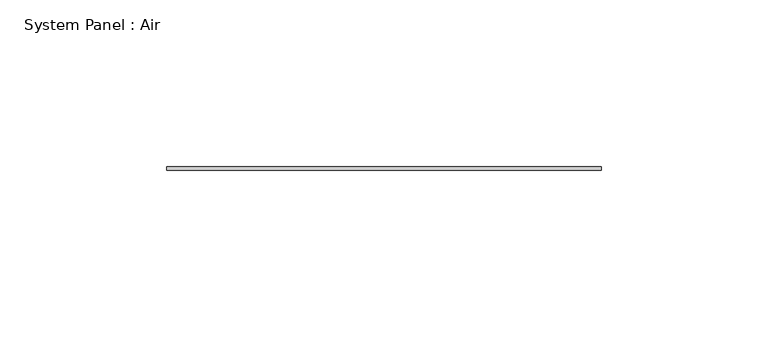
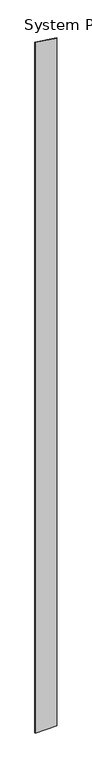
"""IFC4 building model written with IfcOpenShell, lengths in millimetres: plate geometry, System Panel : Air."""

from ifc_helpers import new_model, si_unit, frame, origin, place, context, project, spatial, polyline, outline, extrude, source, transform, mapped, element, save


def system_panel_air_d73f92f2(model_context):
    return source(origin(), model_context, "Body", "SweptSolid", [
        extrude(outline(polyline([(0.0, -65.0), (0.0, 65.0), (4363.4842207, 65.0), (4382.7347357, -65.0), (0.0, -65.0)])), frame((0.0, 36.5, 0.0), z_axis=(0.0, 1.0, 0.0), x_axis=(0.0, 0.0, 1.0)), (0.0, 0.0, 1.0), 1.0),
    ])


if __name__ == "__main__":
    model = new_model("IFC4")
    model_context = context("Model", 3, world=origin())
    ifc_project = project(units=[si_unit("LENGTHUNIT", "METRE", prefix="MILLI")], contexts=[model_context])
    site = spatial("IfcSite", under=ifc_project)
    building = spatial("IfcBuilding", under=site)
    placement = place(None, origin())
    system_panel_air_shape = system_panel_air_d73f92f2(model_context)
    element("IfcPlate", 1, ObjectType="System Panel : Air", at=placement, inside=building, context=model_context, shape_type="MappedRepresentation", body=[
        mapped(system_panel_air_shape, transform((0.0, 0.0, 0.0), x_axis=(1.0, 0.0, 0.0), y_axis=(0.0, 1.0, 0.0), z_axis=(0.0, 0.0, 1.0))),
    ])
    save(model, "model.ifc")
